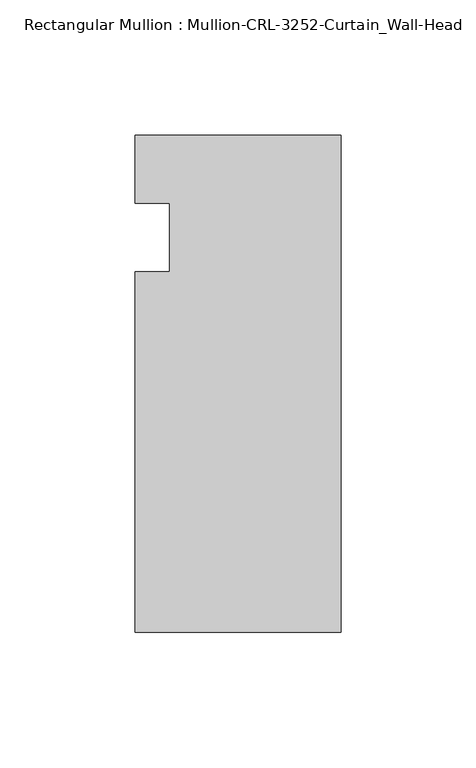
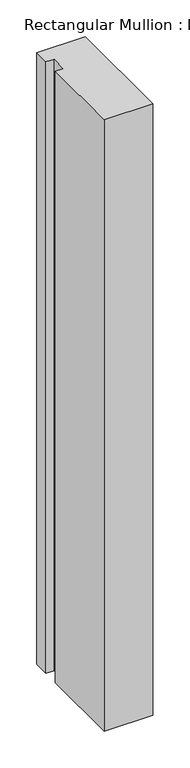
"""IFC4 building model written with IfcOpenShell, lengths in millimetres: member geometry, Rectangular Mullion : Mullion-CRL-3252-Curtain_Wall-Head."""

from ifc_helpers import new_model, si_unit, frame, origin, place, context, project, spatial, polyline, outline, extrude, source, transform, mapped, element, save


def rectangular_mullion_mullion_crl_3252_curtain_wall_head_ca4c55bf(model_context):
    return source(origin(), model_context, "Body", "SweptSolid", [
        extrude(outline(polyline([(0.0, -146.0054758), (-76.1947014, -146.0054758), (-76.1947014, -12.7), (-63.5026672, -12.7), (-63.5026672, 12.7), (-76.1947014, 12.7), (-76.1947014, 37.87102), (0.0, 37.87102), (0.0, -146.0054758)])), frame((0.0, 0.0, -1015.5836137), z_axis=(0.0, 0.0, 1.0), x_axis=(1.0, 0.0, 0.0)), (0.0, 0.0, 1.0), 1015.5836137),
    ])


if __name__ == "__main__":
    model = new_model("IFC4")
    model_context = context("Model", 3, world=origin())
    ifc_project = project(units=[si_unit("LENGTHUNIT", "METRE", prefix="MILLI")], contexts=[model_context])
    site = spatial("IfcSite", under=ifc_project)
    building = spatial("IfcBuilding", under=site)
    placement = place(None, origin())
    rectangular_mullion_mullion_crl_3252_curtain_wall_head_shape = rectangular_mullion_mullion_crl_3252_curtain_wall_head_ca4c55bf(model_context)
    element("IfcMember", 1, ObjectType="Rectangular Mullion : Mullion-CRL-3252-Curtain_Wall-Head", at=placement, inside=building, context=model_context, shape_type="MappedRepresentation", body=[
        mapped(rectangular_mullion_mullion_crl_3252_curtain_wall_head_shape, transform((0.0, 0.0, 0.0), x_axis=(1.0, 0.0, 0.0), y_axis=(0.0, 1.0, 0.0), z_axis=(0.0, 0.0, 1.0))),
    ])
    save(model, "model.ifc")
